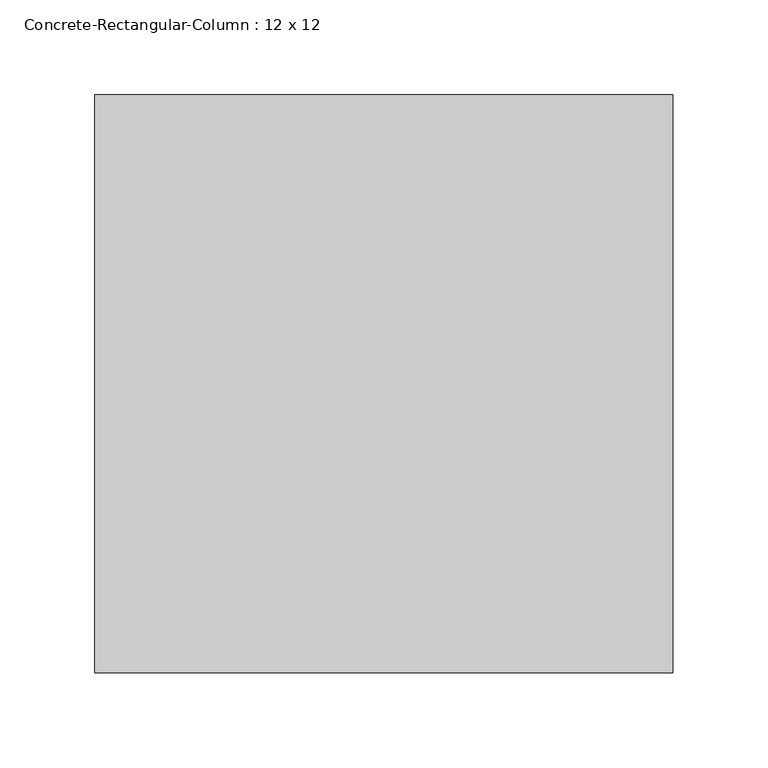
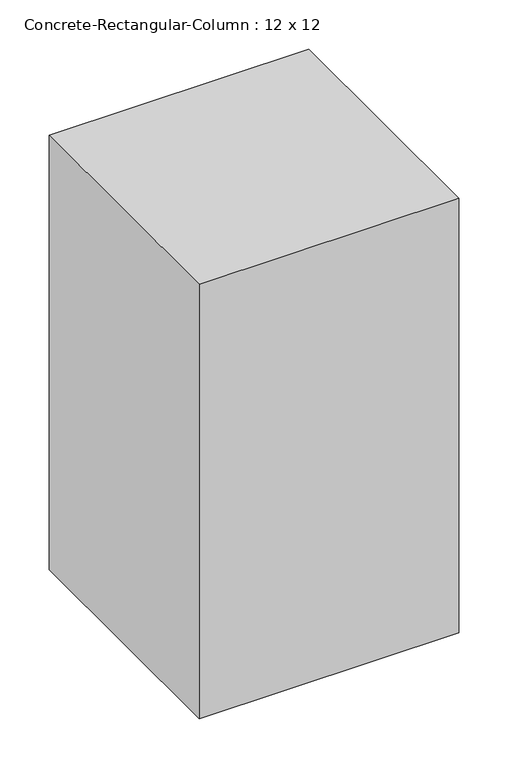
"""IFC4 building model written with IfcOpenShell, lengths in millimetres: column geometry, Concrete-Rectangular-Column : 12 x 12."""

from ifc_helpers import new_model, si_unit, frame, origin, place, context, project, spatial, polyline, outline, extrude, source, transform, mapped, element, save


def concrete_rectangular_column_12_x_12_de06c6cb(model_context):
    return source(origin(), model_context, "Body", "SweptSolid", [
        extrude(outline(polyline([(152.4, 152.4), (152.4, -152.4), (-152.4, -152.4), (-152.4, 152.4), (152.4, 152.4)])), frame((0.0, 0.0, -539.75), z_axis=(0.0, 0.0, 1.0), x_axis=(1.0, 0.0, 0.0)), (0.0, 0.0, 1.0), 539.75),
    ])


if __name__ == "__main__":
    model = new_model("IFC4")
    model_context = context("Model", 3, world=origin())
    ifc_project = project(units=[si_unit("LENGTHUNIT", "METRE", prefix="MILLI")], contexts=[model_context])
    site = spatial("IfcSite", under=ifc_project)
    building = spatial("IfcBuilding", under=site)
    placement = place(None, origin())
    concrete_rectangular_column_12_x_12_shape = concrete_rectangular_column_12_x_12_de06c6cb(model_context)
    element("IfcColumn", 1, ObjectType="Concrete-Rectangular-Column : 12 x 12", at=placement, inside=building, context=model_context, shape_type="MappedRepresentation", body=[
        mapped(concrete_rectangular_column_12_x_12_shape, transform((0.0, 0.0, 0.0), x_axis=(1.0, 0.0, 0.0), y_axis=(0.0, 1.0, 0.0), z_axis=(0.0, 0.0, 1.0))),
    ])
    save(model, "model.ifc")
